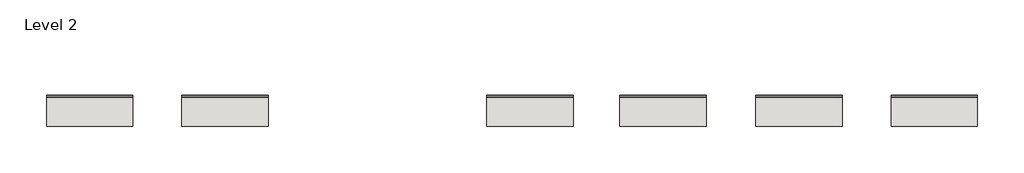
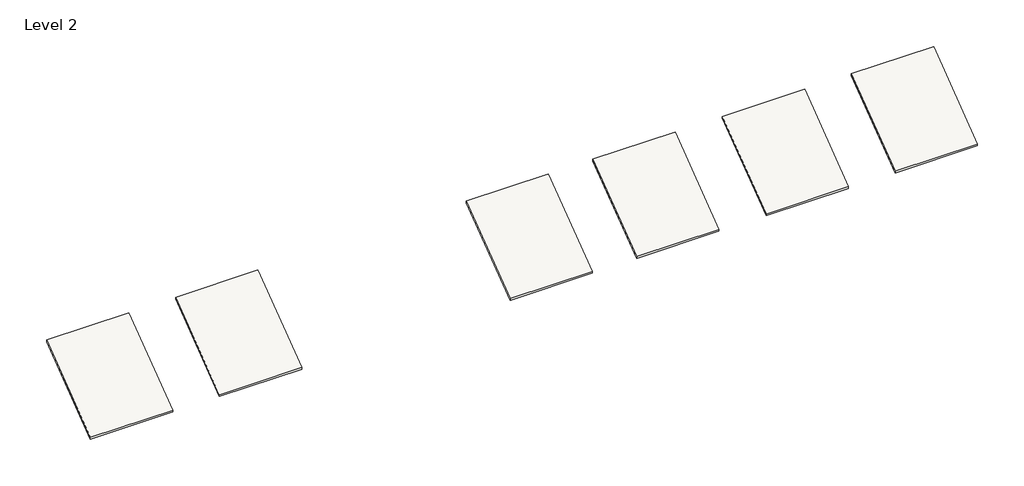
# One storey, part 3 of 3: 6 roofs.
"""IFC4 building model written with IfcOpenShell, lengths in millimetres."""

from ifc_helpers import new_model, si_unit, frame, origin, place, context, project, spatial, polyline, outline, extrude, element, save

model = new_model("IFC4")

# Units and contexts
model_context = context("Model", 3, world=origin())
ifc_project = project(units=[si_unit("LENGTHUNIT", "METRE", prefix="MILLI")], contexts=[model_context])

# Site, building, storey
site = spatial("IfcSite", under=ifc_project)
building = spatial("IfcBuilding", under=site)
storey = spatial("IfcBuildingStorey", under=building, Name="Level 2", Elevation=3048.0)

# Roofs
placement = place(None, origin())
element("IfcRoof", 1, at=placement, inside=storey, context=model_context, shape_type="SweptSolid", body=[
    extrude(outline(polyline([(-510.6156886, 3151.1875), (3604.1843114, 6237.2875), (3604.1843114, 6134.1), (-510.6156886, 3048.0), (-510.6156886, 3151.1875)])), frame((72050.3648419, 0.0, 0.0), z_axis=(1.0, 0.0, 0.0), x_axis=(0.0, 1.0, 0.0)), (0.0, 0.0, 1.0), 4455.1600003),
])
element("IfcRoof", 2, at=placement, inside=storey, context=model_context, shape_type="SweptSolid", body=[
    extrude(outline(polyline([(-510.6156886, 3151.1875), (3604.1843114, 6237.2875), (3604.1843114, 6134.1), (-510.6156886, 3048.0), (-510.6156886, 3151.1875)])), frame((79035.3648419, 0.0, 0.0), z_axis=(1.0, 0.0, 0.0), x_axis=(0.0, 1.0, 0.0)), (0.0, 0.0, 1.0), 4455.1600003),
])
element("IfcRoof", 3, at=placement, inside=storey, context=model_context, shape_type="SweptSolid", body=[
    extrude(outline(polyline([(-510.6156886, 3151.1875), (3604.1843114, 6237.2875), (3604.1843114, 6134.1), (-510.6156886, 3048.0), (-510.6156886, 3151.1875)])), frame((94768.1248422, 0.0, 0.0), z_axis=(1.0, 0.0, 0.0), x_axis=(0.0, 1.0, 0.0)), (0.0, 0.0, 1.0), 4455.1600003),
])
element("IfcRoof", 4, at=placement, inside=storey, context=model_context, shape_type="SweptSolid", body=[
    extrude(outline(polyline([(-510.6156886, 3151.1875), (3604.1843114, 6237.2875), (3604.1843114, 6134.1), (-510.6156886, 3048.0), (-510.6156886, 3151.1875)])), frame((101626.1248422, 0.0, 0.0), z_axis=(1.0, 0.0, 0.0), x_axis=(0.0, 1.0, 0.0)), (0.0, 0.0, 1.0), 4455.1600003),
])
element("IfcRoof", 5, at=placement, inside=storey, context=model_context, shape_type="SweptSolid", body=[
    extrude(outline(polyline([(-510.6156886, 3151.1875), (3604.1843114, 6237.2875), (3604.1843114, 6134.1), (-510.6156886, 3048.0), (-510.6156886, 3151.1875)])), frame((108636.5248422, 0.0, 0.0), z_axis=(1.0, 0.0, 0.0), x_axis=(0.0, 1.0, 0.0)), (0.0, 0.0, 1.0), 4455.1600003),
])
element("IfcRoof", 6, at=placement, inside=storey, context=model_context, shape_type="SweptSolid", body=[
    extrude(outline(polyline([(-510.6156886, 3151.1875), (3604.1843114, 6237.2875), (3604.1843114, 6134.1), (-510.6156886, 3048.0), (-510.6156886, 3151.1875)])), frame((115621.5248422, 0.0, 0.0), z_axis=(1.0, 0.0, 0.0), x_axis=(0.0, 1.0, 0.0)), (0.0, 0.0, 1.0), 4455.1600003),
])

save(model, "model.ifc")
